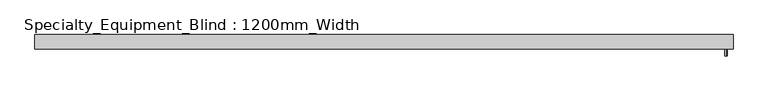
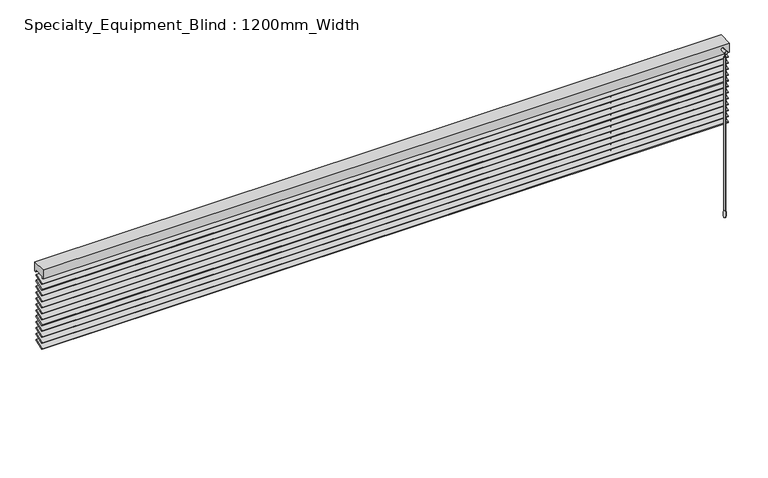
"""IFC4 building model written with IfcOpenShell, lengths in millimetres: proxy geometry, Specialty_Equipment_Blind : 1200mm_Width."""

from ifc_helpers import new_model, si_unit, point, frame, frame_2d, origin, place, context, project, spatial, polyline, circle_curve, ellipse_curve, trimmed, segment, composite_curve, outline, extrude, source, transform, mapped, element, save
from ifc_brep_helpers import plane_surface, cylinder_surface, revolved_surface, advanced_brep


def specialty_equipment_blind_1200mm_width_1a1fc7f1(model_context):
    return source(origin(), model_context, "Body", "SolidModel", [
        extrude(outline(polyline([(0.0, -40.0), (0.0, 0.0), (2490.0, 0.0), (2490.0, -40.0), (0.0, -40.0)])), frame((-1094.5079376, 65.0532351, 2041.2352891), z_axis=(0.0, -0.3420201433256684, 0.9396926207859085), x_axis=(1.0, 0.0, 0.0)), (0.0, 0.0, 1.0), 3.0625345),
        extrude(outline(polyline([(0.0, -40.0), (0.0, 0.0), (2490.0, 0.0), (2490.0, -40.0), (0.0, -40.0)])), frame((-1094.5079376, 65.0532351, 2018.5080164), z_axis=(0.0, -0.3420201433256684, 0.9396926207859085), x_axis=(1.0, 0.0, 0.0)), (0.0, 0.0, 1.0), 3.0625345),
        extrude(outline(polyline([(0.0, -40.0), (0.0, 0.0), (2490.0, 0.0), (2490.0, -40.0), (0.0, -40.0)])), frame((-1094.5079376, 65.0532351, 1995.7807436), z_axis=(0.0, -0.3420201433256684, 0.9396926207859085), x_axis=(1.0, 0.0, 0.0)), (0.0, 0.0, 1.0), 3.0625345),
        extrude(outline(polyline([(0.0, -40.0), (0.0, 0.0), (2490.0, 0.0), (2490.0, -40.0), (0.0, -40.0)])), frame((-1094.5079376, 65.0532351, 1973.0534709), z_axis=(0.0, -0.3420201433256684, 0.9396926207859085), x_axis=(1.0, 0.0, 0.0)), (0.0, 0.0, 1.0), 3.0625345),
        extrude(outline(polyline([(0.0, -40.0), (0.0, 0.0), (2490.0, 0.0), (2490.0, -40.0), (0.0, -40.0)])), frame((-1094.5079376, 65.0532351, 1950.3261982), z_axis=(0.0, -0.3420201433256684, 0.9396926207859085), x_axis=(1.0, 0.0, 0.0)), (0.0, 0.0, 1.0), 3.0625345),
        extrude(outline(polyline([(0.0, -40.0), (0.0, 0.0), (2490.0, 0.0), (2490.0, -40.0), (0.0, -40.0)])), frame((-1094.5079376, 65.0532351, 1927.5989254), z_axis=(0.0, -0.3420201433256684, 0.9396926207859085), x_axis=(1.0, 0.0, 0.0)), (0.0, 0.0, 1.0), 3.0625345),
        extrude(outline(polyline([(0.0, -40.0), (0.0, 0.0), (2490.0, 0.0), (2490.0, -40.0), (0.0, -40.0)])), frame((-1094.5079376, 65.0532351, 1904.8716527), z_axis=(0.0, -0.3420201433256684, 0.9396926207859085), x_axis=(1.0, 0.0, 0.0)), (0.0, 0.0, 1.0), 3.0625345),
        extrude(outline(polyline([(0.0, -40.0), (0.0, 0.0), (2490.0, 0.0), (2490.0, -40.0), (0.0, -40.0)])), frame((-1094.5079376, 65.0532351, 1882.14438), z_axis=(0.0, -0.3420201433256684, 0.9396926207859085), x_axis=(1.0, 0.0, 0.0)), (0.0, 0.0, 1.0), 3.0625345),
        extrude(outline(polyline([(0.0, -40.0), (0.0, 0.0), (2490.0, 0.0), (2490.0, -40.0), (0.0, -40.0)])), frame((-1094.5079376, 65.0532351, 1859.4171073), z_axis=(0.0, -0.3420201433256684, 0.9396926207859085), x_axis=(1.0, 0.0, 0.0)), (0.0, 0.0, 1.0), 3.0625345),
        extrude(outline(polyline([(0.0, -40.0), (0.0, 0.0), (2490.0, 0.0), (2490.0, -40.0), (0.0, -40.0)])), frame((-1094.5079376, 65.0532351, 1836.6898345), z_axis=(0.0, -0.3420201433256684, 0.9396926207859085), x_axis=(1.0, 0.0, 0.0)), (0.0, 0.0, 1.0), 3.0625345),
        extrude(outline(polyline([(0.0, -40.0), (0.0, 0.0), (2490.0, 0.0), (2490.0, -40.0), (0.0, -40.0)])), frame((-1094.5079376, 65.0532351, 2063.9625618), z_axis=(0.0, -0.3420201433256684, 0.9396926207859085), x_axis=(1.0, 0.0, 0.0)), (0.0, 0.0, 1.0), 3.0625345),
        extrude(outline(polyline([(0.0, -40.0), (0.0, 0.0), (2490.0, 0.0), (2490.0, -40.0), (0.0, -40.0)])), frame((-1094.5079376, 65.0532351, 1813.9625618), z_axis=(0.0, -0.3420201433256684, 0.9396926207859085), x_axis=(1.0, 0.0, 0.0)), (0.0, 0.0, 1.0), 3.0625345),
        extrude(outline(polyline([(19.329714, 2110.0), (71.0941545, 2110.0), (71.0941545, 2075.0), (66.0941545, 2075.0), (66.0941545, 2083.2448883), (24.329714, 2083.2448883), (24.329714, 2075.0), (19.329714, 2075.0), (19.329714, 2110.0)])), frame((-1094.5079376, 0.0, 0.0), z_axis=(1.0, 0.0, 0.0), x_axis=(0.0, 1.0, 0.0)), (0.0, 0.0, 1.0), 2490.0),
        extrude(outline(composite_curve([segment(trimmed(circle_curve(frame_2d((2095.9171213, 1370.4920624)), 5.0), [point((2100.9171213, 1370.4920624))], [point((2090.9171213, 1370.4920624))], False, "CARTESIAN"), True, "CONTINUOUS"), segment(trimmed(circle_curve(frame_2d((2095.9171213, 1370.4920624)), 5.0), [point((2090.9171213, 1370.4920624))], [point((2100.9171213, 1370.4920624))], False, "CARTESIAN"), True, "CONTINUOUS")], self_intersect=False)), frame((0.0, -4.4512463, 0.0), z_axis=(0.0, 1.0, 0.0), x_axis=(0.0, 0.0, 1.0)), (0.0, 0.0, 1.0), 23.7809602),
        advanced_brep(
        [(1370.4920624, 4.7248495, 2091.3243671), (1370.4920624, 2.7248495, 2091.3243671), (1370.4920624, 3.7248495, 2091.3243671), (1370.4920624, 4.7248495, 2076.3243671), (1370.4920624, 2.7248495, 2076.3243671), (1370.4920624, 6.7248495, 2076.3243671), (1370.4920624, 0.7248495, 2076.3243671), (1370.4920624, 6.7248495, 1486.909931), (1370.4920624, 0.7248495, 1486.909931), (1370.4920624, 7.2513368, 1460.0), (1370.4920624, 0.1983622, 1460.0), (1370.4920624, 3.7248495, 1460.0)],
        [
            (0, 1, circle_curve(frame((1370.4920624, 3.7248495, 2091.3243671), z_axis=(0.0, 0.0, 1.0), x_axis=(0.0, -1.0, 0.0)), 1.0)),
            (1, 2),
            (2, 0),
            (1, 0, circle_curve(frame((1370.4920624, 3.7248495, 2091.3243671), z_axis=(0.0, 0.0, 1.0), x_axis=(0.0, -1.0, 0.0)), 1.0)),
            (3, 4, circle_curve(frame((1370.4920624, 3.7248495, 2076.3243671), z_axis=(0.0, 0.0, 1.0), x_axis=(0.0, -1.0, 0.0)), 1.0)),
            (4, 1),
            (0, 3),
            (4, 3, circle_curve(frame((1370.4920624, 3.7248495, 2076.3243671), z_axis=(0.0, 0.0, 1.0), x_axis=(0.0, -1.0, 0.0)), 1.0)),
            (5, 6, circle_curve(frame((1370.4920624, 3.7248495, 2076.3243671), z_axis=(0.0, 0.0, 1.0), x_axis=(0.0, -1.0, 0.0)), 3.0)),
            (6, 4),
            (3, 5),
            (6, 5, circle_curve(frame((1370.4920624, 3.7248495, 2076.3243671), z_axis=(0.0, 0.0, 1.0), x_axis=(0.0, -1.0, 0.0)), 3.0)),
            (7, 8, circle_curve(frame((1370.4920624, 3.7248495, 1486.909931), z_axis=(0.0, 0.0, 1.0), x_axis=(0.0, -1.0, 0.0)), 3.0)),
            (8, 6),
            (5, 7),
            (8, 7, circle_curve(frame((1370.4920624, 3.7248495, 1486.909931), z_axis=(0.0, 0.0, 1.0), x_axis=(0.0, -1.0, 0.0)), 3.0)),
            (9, 10, circle_curve(frame((1370.4920624, 3.7248495, 1460.0), z_axis=(0.0, 0.0, 1.0), x_axis=(0.0, -1.0, 0.0)), 3.5264873)),
            (10, 8, circle_curve(frame((1370.4920624, 49.2720063, 1472.5), z_axis=(-1.0, 0.0, 0.0), x_axis=(0.0, 1.0, 0.0)), 50.6406214)),
            (7, 9, circle_curve(frame((1370.4920624, -41.8223072, 1472.5), z_axis=(-1.0, 0.0, 0.0), x_axis=(0.0, -1.0, 0.0)), 50.6406214)),
            (10, 9, circle_curve(frame((1370.4920624, 3.7248495, 1460.0), z_axis=(0.0, 0.0, 1.0), x_axis=(0.0, -1.0, 0.0)), 3.5264873)),
            (11, 10),
            (9, 11),
        ],
        [
            plane_surface(frame((1370.4920624, 3.7248495, 2091.3243671), z_axis=(0.0, 0.0, 1.0), x_axis=(0.0, -1.0, 0.0))),
            cylinder_surface(frame((1370.4920624, 3.7248495, 1191.3243671), z_axis=(0.0, 0.0, -1.0), x_axis=(0.0, -1.0, 0.0)), 1.0),
            plane_surface(frame((1370.4920624, 3.7248495, 2076.3243671), z_axis=(0.0, 0.0, 1.0), x_axis=(0.0, -1.0, 0.0))),
            cylinder_surface(frame((1370.4920624, 3.7248495, 1191.3243671), z_axis=(0.0, 0.0, -1.0), x_axis=(0.0, -1.0, 0.0)), 3.0),
            revolved_surface(trimmed(ellipse_curve(frame((1370.4920624, 49.2720063, 1472.5), z_axis=(1.0, 0.0, 0.0), x_axis=(0.0, 1.0, 0.0)), 50.6406214, 50.6406214), [point((1370.4920624, 0.7248495, 1486.909931))], [point((1370.4920624, 0.1983622, 1460.0))], True, "CARTESIAN"), (1370.4920624, 3.7248495, 1191.3243671), (0.0, 0.0, -1.0)),
            plane_surface(frame((1370.4920624, 3.7248495, 1460.0), z_axis=(0.0, 0.0, -1.0), x_axis=(0.0, -1.0, 0.0))),
        ],
        [
            (0, [[1, 2, 3]]),
            (0, [[4, -3, -2]]),
            (1, [[5, 6, -1, 7]]),
            (1, [[8, -7, -4, -6]]),
            (2, [[9, 10, -5, 11]]),
            (2, [[12, -11, -8, -10]]),
            (3, [[13, 14, -9, 15]]),
            (3, [[16, -15, -12, -14]]),
            (4, [[17, 18, -13, 19]]),
            (4, [[20, -19, -16, -18]]),
            (5, [[21, -17, 22]]),
            (5, [[-22, -20, -21]]),
        ],
    ),
        extrude(outline(composite_curve([segment(trimmed(circle_curve(frame_2d((-679.5079376, 45.2119342)), 0.5), [point((-680.0079376, 45.2119342))], [point((-679.0079376, 45.2119342))], False, "CARTESIAN"), True, "CONTINUOUS"), segment(trimmed(circle_curve(frame_2d((-679.5079376, 45.2119342)), 0.5), [point((-679.0079376, 45.2119342))], [point((-680.0079376, 45.2119342))], False, "CARTESIAN"), True, "CONTINUOUS")], self_intersect=False)), frame((0.0, 0.0, 1810.0), z_axis=(0.0, 0.0, 1.0), x_axis=(1.0, 0.0, 0.0)), (0.0, 0.0, 1.0), 273.2448883),
        extrude(outline(composite_curve([segment(trimmed(circle_curve(frame_2d((980.4920624, 45.2119342)), 0.5), [point((979.9920624, 45.2119342))], [point((980.9920624, 45.2119342))], False, "CARTESIAN"), True, "CONTINUOUS"), segment(trimmed(circle_curve(frame_2d((980.4920624, 45.2119342)), 0.5), [point((980.9920624, 45.2119342))], [point((979.9920624, 45.2119342))], False, "CARTESIAN"), True, "CONTINUOUS")], self_intersect=False)), frame((0.0, 0.0, 1810.0), z_axis=(0.0, 0.0, 1.0), x_axis=(1.0, 0.0, 0.0)), (0.0, 0.0, 1.0), 273.2448883),
    ])


if __name__ == "__main__":
    model = new_model("IFC4")
    model_context = context("Model", 3, world=origin())
    ifc_project = project(units=[si_unit("LENGTHUNIT", "METRE", prefix="MILLI")], contexts=[model_context])
    site = spatial("IfcSite", under=ifc_project)
    building = spatial("IfcBuilding", under=site)
    placement = place(None, origin())
    specialty_equipment_blind_1200mm_width_shape = specialty_equipment_blind_1200mm_width_1a1fc7f1(model_context)
    element("IfcBuildingElementProxy", 1, Name="Specialty_Equipment_Blind : 1200mm_Width", ObjectType="Specialty_Equipment_Blind : 1200mm_Width", at=placement, inside=building, context=model_context, shape_type="MappedRepresentation", body=[
        mapped(specialty_equipment_blind_1200mm_width_shape, transform((0.0, 0.0, 0.0), x_axis=(1.0, 0.0, 0.0), y_axis=(0.0, 1.0, 0.0), z_axis=(0.0, 0.0, 1.0))),
    ])
    save(model, "model.ifc")
